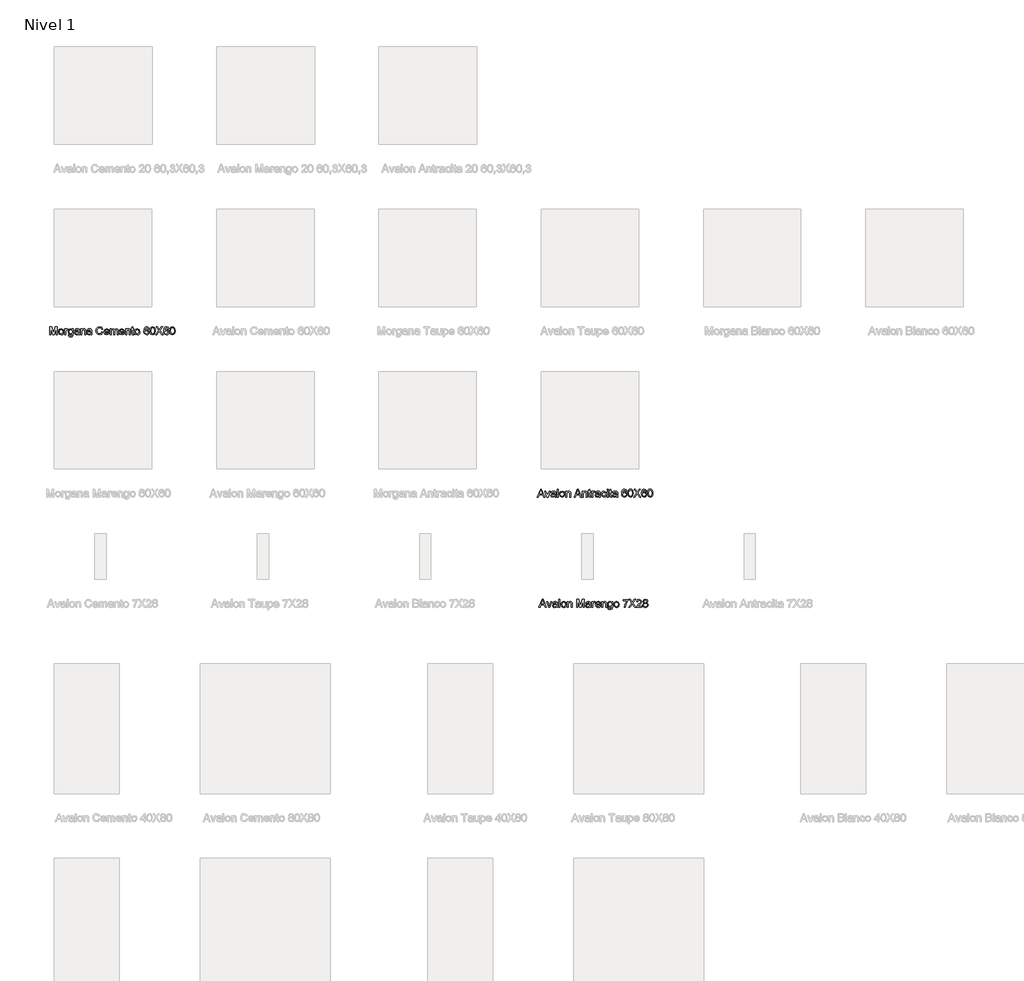
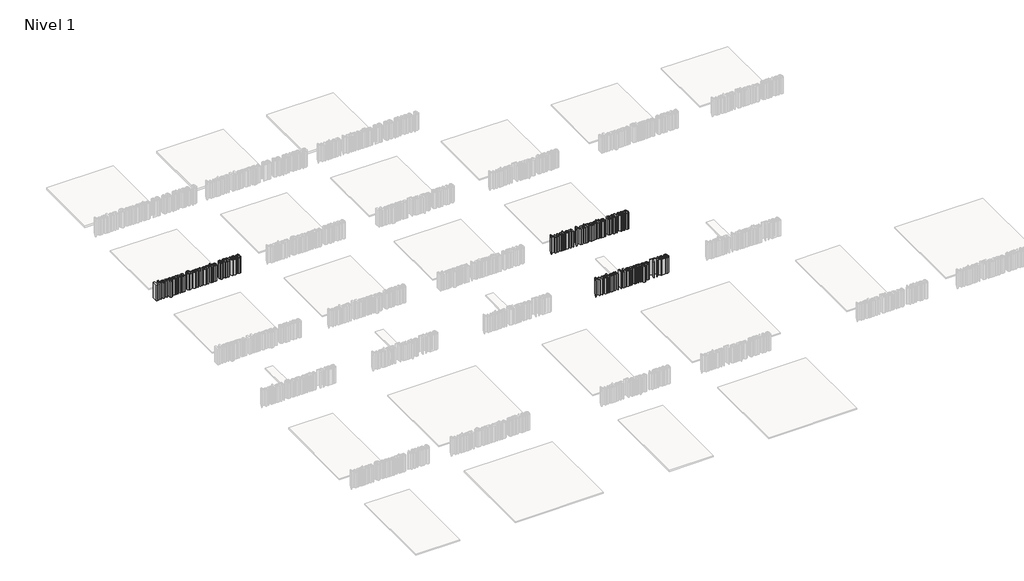
# One storey, part 7 of 11: 3 proxies.
"""IFC4 building model written with IfcOpenShell, lengths in millimetres."""

from ifc_helpers import new_model, si_unit, origin, origin_with_axes, place, context, project, spatial, polyline, outline, extrude, element, save

model = new_model("IFC4")

# Units and contexts
model_context = context("Model", 3, world=origin())
ifc_project = project(units=[si_unit("LENGTHUNIT", "METRE", prefix="MILLI")], contexts=[model_context])

# Site, building, storey
site = spatial("IfcSite", under=ifc_project)
building = spatial("IfcBuilding", under=site)
storey = spatial("IfcBuildingStorey", under=building, Name="Nivel 1", Elevation=0.0)

# Proxies
placement = place(None, origin())
element("IfcBuildingElementProxy", 1, Name="Texto de modelo 1", ObjectType="Texto de modelo 1", at=placement, inside=storey, context=model_context, shape_type="SweptSolid", body=[
    extrude(outline(polyline([(-28.4326504, -1172.9229512), (-28.4326504, -1123.692182), (-17.843708, -1123.692182), (-7.7715927, -1158.3917012), (-5.7403427, -1165.6392974), (-3.5408234, -1157.7907397), (6.3630227, -1123.692182), (16.951965, -1123.692182), (16.951965, -1172.9229512), (10.7981189, -1172.9229512), (10.7981189, -1129.8460282), (-1.5696696, -1172.9229512), (-9.9110157, -1172.9229512), (-22.2788042, -1129.8460282), (-22.2788042, -1172.9229512), (-28.4326504, -1172.9229512)])), origin_with_axes(), (0.0, 0.0, 1.0), 150.0),
    extrude(outline(polyline([(25.4135035, -1154.8460282), (26.7446333, -1146.1290811), (30.7380227, -1140.0022782), (41.5793689, -1135.9998743), (53.2079746, -1140.8736724), (57.7211958, -1154.3412205), (55.7260035, -1165.2907397), (49.9147054, -1171.4866532), (41.5793689, -1173.692182), (29.8786477, -1168.8364128), (25.4135035, -1154.8460282)]), holes=[polyline([(31.5673496, -1154.8340089), (34.4159073, -1164.3712686), (41.5793689, -1167.5383359), (48.718792, -1164.3532397), (51.5673496, -1154.6417012), (48.7007631, -1145.3207878), (41.5793689, -1142.1537205), (34.4159073, -1145.3087686), (31.5673496, -1154.8340089)])]), origin_with_axes(), (0.0, 0.0, 1.0), 150.0),
    extrude(outline(polyline([(64.6442727, -1172.9229512), (64.6442727, -1136.7691051), (70.0288881, -1136.7691051), (70.0288881, -1142.1176628), (73.8510035, -1137.1897782), (77.6971573, -1135.9998743), (83.875042, -1137.8989128), (81.8197535, -1143.4157397), (77.4928304, -1142.1537205), (74.0132631, -1143.3676628), (71.795715, -1146.7330474), (70.7981189, -1153.9205474), (70.7981189, -1172.9229512), (64.6442727, -1172.9229512)])), origin_with_axes(), (0.0, 0.0, 1.0), 150.0),
    extrude(outline(polyline([(86.1827343, -1175.9998743), (92.3365804, -1176.7691051), (94.3317727, -1180.0142974), (100.3053304, -1181.3844897), (106.6034073, -1179.8340089), (109.608215, -1175.4830474), (110.0288881, -1168.3075666), (100.4135035, -1172.9229512), (89.3377823, -1167.5503551), (85.4135035, -1154.6657397), (87.1743208, -1145.1284801), (92.2704746, -1138.379682), (100.1130227, -1135.9998743), (110.0288881, -1141.3844897), (110.0288881, -1136.7691051), (116.1827343, -1136.7691051), (116.1827343, -1167.9830474), (114.500042, -1179.9361724), (109.1695131, -1185.4950666), (100.1851381, -1187.5383359), (89.9507631, -1184.6597301), (86.1827343, -1175.9998743)]), holes=[polyline([(91.5673496, -1154.2450666), (94.1935516, -1163.770307), (100.7860996, -1166.7691051), (107.3666285, -1163.7883359), (110.0288881, -1154.4253551), (107.2885035, -1145.2486724), (100.6899458, -1142.1537205), (94.2296093, -1145.2005955), (91.5673496, -1154.2450666)])]), origin_with_axes(), (0.0, 0.0, 1.0), 150.0),
    extrude(outline(polyline([(148.4904266, -1168.3075666), (142.5228785, -1172.4782397), (135.9303304, -1173.692182), (126.9940323, -1170.7715089), (123.875042, -1163.3075666), (125.0529266, -1158.4397782), (128.1478785, -1154.9061243), (132.4567727, -1152.8868936), (137.781292, -1151.9614128), (148.4543689, -1149.8460282), (146.795715, -1143.9325666), (139.9928304, -1142.1537205), (133.7668689, -1143.3376147), (130.7981189, -1147.5383359), (124.6442727, -1146.7691051), (127.3065323, -1140.7594897), (132.6671093, -1137.2378551), (140.7860996, -1135.9998743), (148.2440323, -1137.0936243), (152.4567727, -1139.8400186), (154.343792, -1144.0167012), (154.6442727, -1149.4013166), (154.6442727, -1157.0575666), (154.9567727, -1167.7486724), (156.1827343, -1172.9229512), (150.0288881, -1172.9229512), (148.4904266, -1168.3075666)]), holes=[polyline([(148.4904266, -1155.9998743), (138.562542, -1157.8868936), (133.2680708, -1158.8844897), (130.8702343, -1160.5070859), (130.0288881, -1162.8748743), (131.8618208, -1166.2042012), (137.2404266, -1167.5383359), (143.4663881, -1166.0659801), (147.4808112, -1162.5022782), (148.4543689, -1157.7426628), (148.4904266, -1155.9998743)])]), origin_with_axes(), (0.0, 0.0, 1.0), 150.0),
    extrude(outline(polyline([(163.1058112, -1172.9229512), (163.1058112, -1136.7691051), (169.2596573, -1136.7691051), (169.2596573, -1141.817182), (173.9651862, -1137.4542012), (180.389465, -1135.9998743), (186.2007631, -1137.1717493), (190.1671093, -1140.2486724), (192.0120612, -1144.7739128), (192.3365804, -1150.723432), (192.3365804, -1172.9229512), (186.1827343, -1172.9229512), (186.1827343, -1151.5527589), (185.4735996, -1146.1080474), (182.96759, -1143.2294416), (178.7428304, -1142.1537205), (172.0661477, -1144.5695859), (169.2596573, -1153.7402589), (169.2596573, -1172.9229512), (163.1058112, -1172.9229512)])), origin_with_axes(), (0.0, 0.0, 1.0), 150.0),
    extrude(outline(polyline([(223.875042, -1168.3075666), (217.9074939, -1172.4782397), (211.3149458, -1173.692182), (202.3786477, -1170.7715089), (199.2596573, -1163.3075666), (200.437542, -1158.4397782), (203.5324939, -1154.9061243), (207.8413881, -1152.8868936), (213.1659073, -1151.9614128), (223.8389843, -1149.8460282), (222.1803304, -1143.9325666), (215.3774458, -1142.1537205), (209.1514843, -1143.3376147), (206.1827343, -1147.5383359), (200.0288881, -1146.7691051), (202.6911477, -1140.7594897), (208.0517246, -1137.2378551), (216.170715, -1135.9998743), (223.6286477, -1137.0936243), (227.8413881, -1139.8400186), (229.7284073, -1144.0167012), (230.0288881, -1149.4013166), (230.0288881, -1157.0575666), (230.3413881, -1167.7486724), (231.5673496, -1172.9229512), (225.4135035, -1172.9229512), (223.875042, -1168.3075666)]), holes=[polyline([(223.875042, -1155.9998743), (213.9471573, -1157.8868936), (208.6526862, -1158.8844897), (206.2548496, -1160.5070859), (205.4135035, -1162.8748743), (207.2464362, -1166.2042012), (212.625042, -1167.5383359), (218.8510035, -1166.0659801), (222.8654266, -1162.5022782), (223.8389843, -1157.7426628), (223.875042, -1155.9998743)])]), origin_with_axes(), (0.0, 0.0, 1.0), 150.0),
    extrude(outline(polyline([(293.1058112, -1155.4229512), (299.2596573, -1157.0094897), (291.9639843, -1169.4193455), (279.0793689, -1173.692182), (266.2728785, -1170.4590089), (258.7608593, -1161.0960282), (256.1827343, -1147.9349705), (259.0973977, -1134.5575666), (267.3846573, -1125.8856916), (279.2115804, -1122.9229512), (291.5373016, -1126.7570859), (298.4904266, -1137.5503551), (292.3365804, -1139.0167012), (287.2885035, -1131.4505955), (278.9711958, -1129.0767974), (269.343792, -1131.7090089), (263.90509, -1138.7763166), (262.3365804, -1147.9229512), (264.1935516, -1158.5239128), (269.9748016, -1165.2967493), (278.4663881, -1167.5383359), (287.8834554, -1164.4854512), (293.1058112, -1155.4229512)])), origin_with_axes(), (0.0, 0.0, 1.0), 150.0),
    extrude(outline(polyline([(332.264465, -1162.1537205), (338.2981189, -1162.9229512), (332.65509, -1170.8676628), (322.1442727, -1173.692182), (309.3678304, -1168.8183839), (304.6442727, -1155.1465089), (309.4159073, -1141.0239128), (321.795715, -1135.9998743), (333.8209554, -1141.0118936), (338.4904266, -1155.1104512), (338.4543689, -1156.7691051), (310.7981189, -1156.7691051), (314.3377823, -1164.7618936), (322.264465, -1167.5383359), (328.2981189, -1166.2522782), (332.264465, -1162.1537205)]), holes=[polyline([(310.7981189, -1150.6152589), (332.3365804, -1150.6152589), (329.8726381, -1145.0383359), (321.7716766, -1142.1537205), (314.1935516, -1144.4554032), (310.7981189, -1150.6152589)])]), origin_with_axes(), (0.0, 0.0, 1.0), 150.0),
    extrude(outline(polyline([(344.6442727, -1172.9229512), (344.6442727, -1136.7691051), (350.7981189, -1136.7691051), (350.7981189, -1142.7186243), (355.0288881, -1137.8448262), (361.0505227, -1135.9998743), (367.2163881, -1137.8808839), (370.6058112, -1143.1513166), (375.4074939, -1137.7877349), (381.4711958, -1135.9998743), (389.5180708, -1138.9746339), (392.3365804, -1148.1392974), (392.3365804, -1172.9229512), (386.1827343, -1172.9229512), (386.1827343, -1150.7835282), (385.6118208, -1145.645307), (383.5445131, -1143.1152589), (380.0288881, -1142.1537205), (373.9772054, -1144.6176628), (371.5673496, -1152.5142974), (371.5673496, -1172.9229512), (365.4135035, -1172.9229512), (365.4135035, -1150.098432), (363.9892246, -1144.1368936), (359.3197535, -1142.1537205), (354.764465, -1143.4758359), (351.7356189, -1147.3460282), (350.7981189, -1154.6897782), (350.7981189, -1172.9229512), (344.6442727, -1172.9229512)])), origin_with_axes(), (0.0, 0.0, 1.0), 150.0),
    extrude(outline(polyline([(426.8798496, -1162.1537205), (432.9135035, -1162.9229512), (427.2704746, -1170.8676628), (416.7596573, -1173.692182), (403.983215, -1168.8183839), (399.2596573, -1155.1465089), (404.031292, -1141.0239128), (416.4110996, -1135.9998743), (428.43634, -1141.0118936), (433.1058112, -1155.1104512), (433.0697535, -1156.7691051), (405.4135035, -1156.7691051), (408.953167, -1164.7618936), (416.8798496, -1167.5383359), (422.9135035, -1166.2522782), (426.8798496, -1162.1537205)]), holes=[polyline([(405.4135035, -1150.6152589), (426.951965, -1150.6152589), (424.4880227, -1145.0383359), (416.3870612, -1142.1537205), (408.8089362, -1144.4554032), (405.4135035, -1150.6152589)])]), origin_with_axes(), (0.0, 0.0, 1.0), 150.0),
    extrude(outline(polyline([(439.2596573, -1172.9229512), (439.2596573, -1136.7691051), (445.4135035, -1136.7691051), (445.4135035, -1141.817182), (450.1190323, -1137.4542012), (456.5433112, -1135.9998743), (462.3546093, -1137.1717493), (466.3209554, -1140.2486724), (468.1659073, -1144.7739128), (468.4904266, -1150.723432), (468.4904266, -1172.9229512), (462.3365804, -1172.9229512), (462.3365804, -1151.5527589), (461.6274458, -1146.1080474), (459.1214362, -1143.2294416), (454.8966766, -1142.1537205), (448.2199939, -1144.5695859), (445.4135035, -1153.7402589), (445.4135035, -1172.9229512), (439.2596573, -1172.9229512)])), origin_with_axes(), (0.0, 0.0, 1.0), 150.0),
    extrude(outline(polyline([(490.0288881, -1167.7907397), (490.7981189, -1173.1032397), (486.1947535, -1173.692182), (481.0385035, -1172.6705474), (478.4663881, -1169.9902589), (477.7211958, -1163.0070859), (477.7211958, -1142.9229512), (473.1058112, -1142.9229512), (473.1058112, -1136.7691051), (477.7211958, -1136.7691051), (477.7211958, -1127.9830474), (483.875042, -1124.3652589), (483.875042, -1136.7691051), (490.0288881, -1136.7691051), (490.0288881, -1142.9229512), (483.875042, -1142.9229512), (483.875042, -1162.8267974), (484.1995612, -1165.9998743), (487.3485996, -1167.5383359), (490.0288881, -1167.7907397)])), origin_with_axes(), (0.0, 0.0, 1.0), 150.0),
    extrude(outline(polyline([(494.6442727, -1154.8460282), (495.9754025, -1146.1290811), (499.968792, -1140.0022782), (510.8101381, -1135.9998743), (522.4387439, -1140.8736724), (526.951965, -1154.3412205), (524.9567727, -1165.2907397), (519.1454746, -1171.4866532), (510.8101381, -1173.692182), (499.109417, -1168.8364128), (494.6442727, -1154.8460282)]), holes=[polyline([(500.7981189, -1154.8340089), (503.6466766, -1164.3712686), (510.8101381, -1167.5383359), (517.9495612, -1164.3532397), (520.7981189, -1154.6417012), (517.9315323, -1145.3207878), (510.8101381, -1142.1537205), (503.6466766, -1145.3087686), (500.7981189, -1154.8340089)])]), origin_with_axes(), (0.0, 0.0, 1.0), 150.0),
    extrude(outline(polyline([(583.1058112, -1136.7691051), (576.951965, -1137.5383359), (574.6202343, -1132.4061243), (568.4543689, -1129.8460282), (562.9014843, -1131.3364128), (558.7007631, -1136.9313647), (556.951965, -1147.8989128), (562.3786477, -1142.989057), (569.1034073, -1141.3844897), (579.5601381, -1145.7715089), (583.875042, -1157.1056436), (581.843792, -1165.5972301), (576.2548496, -1171.6068455), (568.1899458, -1173.692182), (555.6478785, -1168.1633359), (552.0105588, -1160.8436243), (550.7981189, -1149.942182), (552.1442727, -1137.6855714), (556.1827343, -1129.3051628), (561.6965564, -1125.0954272), (568.8389843, -1123.692182), (578.562542, -1127.1657397), (583.1058112, -1136.7691051)]), holes=[polyline([(556.951965, -1157.0094897), (558.3762439, -1162.3400186), (562.1623016, -1166.2102109), (567.7091766, -1167.5383359), (574.9627823, -1164.785932), (577.7211958, -1157.3099705), (574.99884, -1150.1525186), (567.4567727, -1147.5383359), (560.0108593, -1150.1525186), (556.951965, -1157.0094897)])]), origin_with_axes(), (0.0, 0.0, 1.0), 150.0),
    extrude(outline(polyline([(589.2596573, -1148.7042012), (591.0685516, -1134.5395378), (596.4411477, -1126.3724705), (605.4135035, -1123.692182), (612.6010035, -1125.2787205), (617.5649458, -1129.8520378), (620.4495612, -1137.1356916), (621.5673496, -1148.7042012), (619.7764843, -1162.8087686), (614.421917, -1170.9938647), (605.4135035, -1173.692182), (594.1635035, -1169.004682), (590.4856189, -1160.6783599), (589.2596573, -1148.7042012)]), holes=[polyline([(595.4135035, -1148.692182), (598.2981189, -1163.9746339), (605.4135035, -1167.5383359), (612.5288881, -1163.9626147), (615.4135035, -1148.692182), (612.625042, -1133.5840089), (605.3413881, -1129.8460282), (598.3942727, -1133.1392974), (595.4135035, -1148.692182)])]), origin_with_axes(), (0.0, 0.0, 1.0), 150.0),
    extrude(outline(polyline([(623.875042, -1172.9229512), (642.8534073, -1146.0960282), (626.951965, -1123.692182), (634.3317727, -1123.692182), (643.2860996, -1136.3003551), (646.3029266, -1141.2162205), (649.8365804, -1136.2162205), (658.6947535, -1123.692182), (666.1827343, -1123.692182), (650.281292, -1146.1681436), (669.2596573, -1172.9229512), (661.8798496, -1172.9229512), (649.2356189, -1155.0864128), (646.6034073, -1151.3844897), (643.7067727, -1155.4469897), (631.3630227, -1172.9229512), (623.875042, -1172.9229512)])), origin_with_axes(), (0.0, 0.0, 1.0), 150.0),
    extrude(outline(polyline([(704.6442727, -1136.7691051), (698.4904266, -1137.5383359), (696.1586958, -1132.4061243), (689.9928304, -1129.8460282), (684.4399458, -1131.3364128), (680.2392246, -1136.9313647), (678.4904266, -1147.8989128), (683.9171093, -1142.989057), (690.6418689, -1141.3844897), (701.0985996, -1145.7715089), (705.4135035, -1157.1056436), (703.3822535, -1165.5972301), (697.7933112, -1171.6068455), (689.7284073, -1173.692182), (677.18634, -1168.1633359), (673.5490203, -1160.8436243), (672.3365804, -1149.942182), (673.6827343, -1137.6855714), (677.7211958, -1129.3051628), (683.2350179, -1125.0954272), (690.3774458, -1123.692182), (700.1010035, -1127.1657397), (704.6442727, -1136.7691051)]), holes=[polyline([(678.4904266, -1157.0094897), (679.9147054, -1162.3400186), (683.7007631, -1166.2102109), (689.2476381, -1167.5383359), (696.5012439, -1164.785932), (699.2596573, -1157.3099705), (696.5373016, -1150.1525186), (688.9952343, -1147.5383359), (681.5493208, -1150.1525186), (678.4904266, -1157.0094897)])]), origin_with_axes(), (0.0, 0.0, 1.0), 150.0),
    extrude(outline(polyline([(710.7981189, -1148.7042012), (712.6070131, -1134.5395378), (717.9796093, -1126.3724705), (726.951965, -1123.692182), (734.139465, -1125.2787205), (739.1034073, -1129.8520378), (741.9880227, -1137.1356916), (743.1058112, -1148.7042012), (741.3149458, -1162.8087686), (735.9603785, -1170.9938647), (726.951965, -1173.692182), (715.701965, -1169.004682), (712.0240804, -1160.6783599), (710.7981189, -1148.7042012)]), holes=[polyline([(716.951965, -1148.692182), (719.8365804, -1163.9746339), (726.951965, -1167.5383359), (734.0673496, -1163.9626147), (736.951965, -1148.692182), (734.1635035, -1133.5840089), (726.8798496, -1129.8460282), (719.9327343, -1133.1392974), (716.951965, -1148.692182)])]), origin_with_axes(), (0.0, 0.0, 1.0), 150.0),
])
element("IfcBuildingElementProxy", 2, Name="Texto de modelo 1", ObjectType="Texto de modelo 1", at=placement, inside=storey, context=model_context, shape_type="SweptSolid", body=[
    extrude(outline(polyline([(2975.8341766, -2172.9229512), (2995.4856189, -2123.692182), (3000.7260035, -2123.692182), (3020.3774458, -2172.9229512), (3013.875042, -2172.9229512), (3008.2380227, -2157.5383359), (2987.9615804, -2157.5383359), (2982.3365804, -2172.9229512), (2975.8341766, -2172.9229512)]), holes=[polyline([(2990.2211958, -2151.3844897), (3005.9904266, -2151.3844897), (3001.5553304, -2139.2811243), (2998.1058112, -2129.8460282), (2995.0409073, -2138.223432), (2990.2211958, -2151.3844897)])]), origin_with_axes(), (0.0, 0.0, 1.0), 150.0),
    extrude(outline(polyline([(3035.0529266, -2172.9229512), (3022.3365804, -2136.7691051), (3028.8510035, -2136.7691051), (3036.5553304, -2158.4277589), (3038.875042, -2165.7114128), (3041.1466766, -2158.8364128), (3048.8990804, -2136.7691051), (3055.4135035, -2136.7691051), (3042.8534073, -2172.9229512), (3035.0529266, -2172.9229512)])), origin_with_axes(), (0.0, 0.0, 1.0), 150.0),
    extrude(outline(polyline([(3083.875042, -2168.3075666), (3077.9074939, -2172.4782397), (3071.3149458, -2173.692182), (3062.3786477, -2170.7715089), (3059.2596573, -2163.3075666), (3060.437542, -2158.4397782), (3063.5324939, -2154.9061243), (3067.8413881, -2152.8868936), (3073.1659073, -2151.9614128), (3083.8389843, -2149.8460282), (3082.1803304, -2143.9325666), (3075.3774458, -2142.1537205), (3069.1514843, -2143.3376147), (3066.1827343, -2147.5383359), (3060.0288881, -2146.7691051), (3062.6911477, -2140.7594897), (3068.0517246, -2137.2378551), (3076.170715, -2135.9998743), (3083.6286477, -2137.0936243), (3087.8413881, -2139.8400186), (3089.7284073, -2144.0167012), (3090.0288881, -2149.4013166), (3090.0288881, -2157.0575666), (3090.3413881, -2167.7486724), (3091.5673496, -2172.9229512), (3085.4135035, -2172.9229512), (3083.875042, -2168.3075666)]), holes=[polyline([(3083.875042, -2155.9998743), (3073.9471573, -2157.8868936), (3068.6526862, -2158.8844897), (3066.2548496, -2160.5070859), (3065.4135035, -2162.8748743), (3067.2464362, -2166.2042012), (3072.625042, -2167.5383359), (3078.8510035, -2166.0659801), (3082.8654266, -2162.5022782), (3083.8389843, -2157.7426628), (3083.875042, -2155.9998743)])]), origin_with_axes(), (0.0, 0.0, 1.0), 150.0),
    extrude(outline(polyline([(3098.4904266, -2172.9229512), (3098.4904266, -2123.692182), (3104.6442727, -2123.692182), (3104.6442727, -2172.9229512), (3098.4904266, -2172.9229512)])), origin_with_axes(), (0.0, 0.0, 1.0), 150.0),
    extrude(outline(polyline([(3112.3365804, -2154.8460282), (3113.6677102, -2146.1290811), (3117.6610996, -2140.0022782), (3128.5024458, -2135.9998743), (3140.1310516, -2140.8736724), (3144.6442727, -2154.3412205), (3142.6490804, -2165.2907397), (3136.8377823, -2171.4866532), (3128.5024458, -2173.692182), (3116.8017246, -2168.8364128), (3112.3365804, -2154.8460282)]), holes=[polyline([(3118.4904266, -2154.8340089), (3121.3389843, -2164.3712686), (3128.5024458, -2167.5383359), (3135.6418689, -2164.3532397), (3138.4904266, -2154.6417012), (3135.62384, -2145.3207878), (3128.5024458, -2142.1537205), (3121.3389843, -2145.3087686), (3118.4904266, -2154.8340089)])]), origin_with_axes(), (0.0, 0.0, 1.0), 150.0),
    extrude(outline(polyline([(3151.5673496, -2172.9229512), (3151.5673496, -2136.7691051), (3157.7211958, -2136.7691051), (3157.7211958, -2141.817182), (3162.4267246, -2137.4542012), (3168.8510035, -2135.9998743), (3174.6623016, -2137.1717493), (3178.6286477, -2140.2486724), (3180.4735996, -2144.7739128), (3180.7981189, -2150.723432), (3180.7981189, -2172.9229512), (3174.6442727, -2172.9229512), (3174.6442727, -2151.5527589), (3173.9351381, -2146.1080474), (3171.4291285, -2143.2294416), (3167.2043689, -2142.1537205), (3160.5276862, -2144.5695859), (3157.7211958, -2153.7402589), (3157.7211958, -2172.9229512), (3151.5673496, -2172.9229512)])), origin_with_axes(), (0.0, 0.0, 1.0), 150.0),
    extrude(outline(polyline([(3203.5264843, -2172.9229512), (3223.1779266, -2123.692182), (3228.4183112, -2123.692182), (3248.0697535, -2172.9229512), (3241.5673496, -2172.9229512), (3235.9303304, -2157.5383359), (3215.6538881, -2157.5383359), (3210.0288881, -2172.9229512), (3203.5264843, -2172.9229512)]), holes=[polyline([(3217.9135035, -2151.3844897), (3233.6827343, -2151.3844897), (3229.2476381, -2139.2811243), (3225.7981189, -2129.8460282), (3222.733215, -2138.223432), (3217.9135035, -2151.3844897)])]), origin_with_axes(), (0.0, 0.0, 1.0), 150.0),
    extrude(outline(polyline([(3253.875042, -2172.9229512), (3253.875042, -2136.7691051), (3260.0288881, -2136.7691051), (3260.0288881, -2141.817182), (3264.734417, -2137.4542012), (3271.1586958, -2135.9998743), (3276.9699939, -2137.1717493), (3280.93634, -2140.2486724), (3282.781292, -2144.7739128), (3283.1058112, -2150.723432), (3283.1058112, -2172.9229512), (3276.951965, -2172.9229512), (3276.951965, -2151.5527589), (3276.2428304, -2146.1080474), (3273.7368208, -2143.2294416), (3269.5120612, -2142.1537205), (3262.8353785, -2144.5695859), (3260.0288881, -2153.7402589), (3260.0288881, -2172.9229512), (3253.875042, -2172.9229512)])), origin_with_axes(), (0.0, 0.0, 1.0), 150.0),
    extrude(outline(polyline([(3304.6442727, -2167.7907397), (3305.4135035, -2173.1032397), (3300.8101381, -2173.692182), (3295.6538881, -2172.6705474), (3293.0817727, -2169.9902589), (3292.3365804, -2163.0070859), (3292.3365804, -2142.9229512), (3287.7211958, -2142.9229512), (3287.7211958, -2136.7691051), (3292.3365804, -2136.7691051), (3292.3365804, -2127.9830474), (3298.4904266, -2124.3652589), (3298.4904266, -2136.7691051), (3304.6442727, -2136.7691051), (3304.6442727, -2142.9229512), (3298.4904266, -2142.9229512), (3298.4904266, -2162.8267974), (3298.8149458, -2165.9998743), (3301.9639843, -2167.5383359), (3304.6442727, -2167.7907397)])), origin_with_axes(), (0.0, 0.0, 1.0), 150.0),
    extrude(outline(polyline([(3310.7981189, -2172.9229512), (3310.7981189, -2136.7691051), (3316.1827343, -2136.7691051), (3316.1827343, -2142.1176628), (3320.0048496, -2137.1897782), (3323.8510035, -2135.9998743), (3330.0288881, -2137.8989128), (3327.9735996, -2143.4157397), (3323.6466766, -2142.1537205), (3320.1671093, -2143.3676628), (3317.9495612, -2146.7330474), (3316.951965, -2153.9205474), (3316.951965, -2172.9229512), (3310.7981189, -2172.9229512)])), origin_with_axes(), (0.0, 0.0, 1.0), 150.0),
    extrude(outline(polyline([(3356.951965, -2168.3075666), (3350.984417, -2172.4782397), (3344.3918689, -2173.692182), (3335.4555708, -2170.7715089), (3332.3365804, -2163.3075666), (3333.514465, -2158.4397782), (3336.609417, -2154.9061243), (3340.9183112, -2152.8868936), (3346.2428304, -2151.9614128), (3356.9159073, -2149.8460282), (3355.2572535, -2143.9325666), (3348.4543689, -2142.1537205), (3342.2284073, -2143.3376147), (3339.2596573, -2147.5383359), (3333.1058112, -2146.7691051), (3335.7680708, -2140.7594897), (3341.1286477, -2137.2378551), (3349.2476381, -2135.9998743), (3356.7055708, -2137.0936243), (3360.9183112, -2139.8400186), (3362.8053304, -2144.0167012), (3363.1058112, -2149.4013166), (3363.1058112, -2157.0575666), (3363.4183112, -2167.7486724), (3364.6442727, -2172.9229512), (3358.4904266, -2172.9229512), (3356.951965, -2168.3075666)]), holes=[polyline([(3356.951965, -2155.9998743), (3347.0240804, -2157.8868936), (3341.7296093, -2158.8844897), (3339.3317727, -2160.5070859), (3338.4904266, -2162.8748743), (3340.3233593, -2166.2042012), (3345.701965, -2167.5383359), (3351.9279266, -2166.0659801), (3355.9423496, -2162.5022782), (3356.9159073, -2157.7426628), (3356.951965, -2155.9998743)])]), origin_with_axes(), (0.0, 0.0, 1.0), 150.0),
    extrude(outline(polyline([(3394.6442727, -2159.8460282), (3400.7981189, -2160.6152589), (3395.858215, -2170.2246339), (3386.0985996, -2173.692182), (3374.4339362, -2168.8544416), (3370.0288881, -2154.9782397), (3371.9098977, -2144.7558839), (3377.6430708, -2138.1873743), (3386.014465, -2135.9998743), (3395.3714362, -2139.004682), (3400.0288881, -2147.5383359), (3393.875042, -2148.3075666), (3391.0204746, -2143.6981916), (3386.062542, -2142.1537205), (3378.9291285, -2145.1945859), (3376.1827343, -2154.8099705), (3378.8690323, -2164.5154993), (3385.8942727, -2167.5383359), (3391.6935516, -2165.6513166), (3394.6442727, -2159.8460282)])), origin_with_axes(), (0.0, 0.0, 1.0), 150.0),
    extrude(outline(polyline([(3406.1827343, -2172.9229512), (3406.1827343, -2136.7691051), (3412.3365804, -2136.7691051), (3412.3365804, -2172.9229512), (3406.1827343, -2172.9229512)])), origin_with_axes(), (0.0, 0.0, 1.0), 150.0),
    extrude(outline(polyline([(3406.1827343, -2129.8460282), (3406.1827343, -2123.692182), (3412.3365804, -2123.692182), (3412.3365804, -2129.8460282), (3406.1827343, -2129.8460282)])), origin_with_axes(), (0.0, 0.0, 1.0), 150.0),
    extrude(outline(polyline([(3434.6442727, -2167.7907397), (3435.4135035, -2173.1032397), (3430.8101381, -2173.692182), (3425.6538881, -2172.6705474), (3423.0817727, -2169.9902589), (3422.3365804, -2163.0070859), (3422.3365804, -2142.9229512), (3417.7211958, -2142.9229512), (3417.7211958, -2136.7691051), (3422.3365804, -2136.7691051), (3422.3365804, -2127.9830474), (3428.4904266, -2124.3652589), (3428.4904266, -2136.7691051), (3434.6442727, -2136.7691051), (3434.6442727, -2142.9229512), (3428.4904266, -2142.9229512), (3428.4904266, -2162.8267974), (3428.8149458, -2165.9998743), (3431.9639843, -2167.5383359), (3434.6442727, -2167.7907397)])), origin_with_axes(), (0.0, 0.0, 1.0), 150.0),
    extrude(outline(polyline([(3463.875042, -2168.3075666), (3457.9074939, -2172.4782397), (3451.3149458, -2173.692182), (3442.3786477, -2170.7715089), (3439.2596573, -2163.3075666), (3440.437542, -2158.4397782), (3443.5324939, -2154.9061243), (3447.8413881, -2152.8868936), (3453.1659073, -2151.9614128), (3463.8389843, -2149.8460282), (3462.1803304, -2143.9325666), (3455.3774458, -2142.1537205), (3449.1514843, -2143.3376147), (3446.1827343, -2147.5383359), (3440.0288881, -2146.7691051), (3442.6911477, -2140.7594897), (3448.0517246, -2137.2378551), (3456.170715, -2135.9998743), (3463.6286477, -2137.0936243), (3467.8413881, -2139.8400186), (3469.7284073, -2144.0167012), (3470.0288881, -2149.4013166), (3470.0288881, -2157.0575666), (3470.3413881, -2167.7486724), (3471.5673496, -2172.9229512), (3465.4135035, -2172.9229512), (3463.875042, -2168.3075666)]), holes=[polyline([(3463.875042, -2155.9998743), (3453.9471573, -2157.8868936), (3448.6526862, -2158.8844897), (3446.2548496, -2160.5070859), (3445.4135035, -2162.8748743), (3447.2464362, -2166.2042012), (3452.625042, -2167.5383359), (3458.8510035, -2166.0659801), (3462.8654266, -2162.5022782), (3463.8389843, -2157.7426628), (3463.875042, -2155.9998743)])]), origin_with_axes(), (0.0, 0.0, 1.0), 150.0),
    extrude(outline(polyline([(3527.7211958, -2136.7691051), (3521.5673496, -2137.5383359), (3519.2356189, -2132.4061243), (3513.0697535, -2129.8460282), (3507.5168689, -2131.3364128), (3503.3161477, -2136.9313647), (3501.5673496, -2147.8989128), (3506.9940323, -2142.989057), (3513.718792, -2141.3844897), (3524.1755227, -2145.7715089), (3528.4904266, -2157.1056436), (3526.4591766, -2165.5972301), (3520.8702343, -2171.6068455), (3512.8053304, -2173.692182), (3500.2632631, -2168.1633359), (3496.6259434, -2160.8436243), (3495.4135035, -2149.942182), (3496.7596573, -2137.6855714), (3500.7981189, -2129.3051628), (3506.311941, -2125.0954272), (3513.4543689, -2123.692182), (3523.1779266, -2127.1657397), (3527.7211958, -2136.7691051)]), holes=[polyline([(3501.5673496, -2157.0094897), (3502.9916285, -2162.3400186), (3506.7776862, -2166.2102109), (3512.3245612, -2167.5383359), (3519.578167, -2164.785932), (3522.3365804, -2157.3099705), (3519.6142246, -2150.1525186), (3512.0721573, -2147.5383359), (3504.6262439, -2150.1525186), (3501.5673496, -2157.0094897)])]), origin_with_axes(), (0.0, 0.0, 1.0), 150.0),
    extrude(outline(polyline([(3533.875042, -2148.7042012), (3535.6839362, -2134.5395378), (3541.0565323, -2126.3724705), (3550.0288881, -2123.692182), (3557.2163881, -2125.2787205), (3562.1803304, -2129.8520378), (3565.0649458, -2137.1356916), (3566.1827343, -2148.7042012), (3564.3918689, -2162.8087686), (3559.0373016, -2170.9938647), (3550.0288881, -2173.692182), (3538.7788881, -2169.004682), (3535.1010035, -2160.6783599), (3533.875042, -2148.7042012)]), holes=[polyline([(3540.0288881, -2148.692182), (3542.9135035, -2163.9746339), (3550.0288881, -2167.5383359), (3557.1442727, -2163.9626147), (3560.0288881, -2148.692182), (3557.2404266, -2133.5840089), (3549.9567727, -2129.8460282), (3543.0096573, -2133.1392974), (3540.0288881, -2148.692182)])]), origin_with_axes(), (0.0, 0.0, 1.0), 150.0),
    extrude(outline(polyline([(3568.4904266, -2172.9229512), (3587.468792, -2146.0960282), (3571.5673496, -2123.692182), (3578.9471573, -2123.692182), (3587.9014843, -2136.3003551), (3590.9183112, -2141.2162205), (3594.451965, -2136.2162205), (3603.3101381, -2123.692182), (3610.7981189, -2123.692182), (3594.8966766, -2146.1681436), (3613.875042, -2172.9229512), (3606.4952343, -2172.9229512), (3593.8510035, -2155.0864128), (3591.218792, -2151.3844897), (3588.3221573, -2155.4469897), (3575.9784073, -2172.9229512), (3568.4904266, -2172.9229512)])), origin_with_axes(), (0.0, 0.0, 1.0), 150.0),
    extrude(outline(polyline([(3649.2596573, -2136.7691051), (3643.1058112, -2137.5383359), (3640.7740804, -2132.4061243), (3634.608215, -2129.8460282), (3629.0553304, -2131.3364128), (3624.8546093, -2136.9313647), (3623.1058112, -2147.8989128), (3628.5324939, -2142.989057), (3635.2572535, -2141.3844897), (3645.7139843, -2145.7715089), (3650.0288881, -2157.1056436), (3647.9976381, -2165.5972301), (3642.4086958, -2171.6068455), (3634.343792, -2173.692182), (3621.8017246, -2168.1633359), (3618.1644049, -2160.8436243), (3616.951965, -2149.942182), (3618.2981189, -2137.6855714), (3622.3365804, -2129.3051628), (3627.8504025, -2125.0954272), (3634.9928304, -2123.692182), (3644.7163881, -2127.1657397), (3649.2596573, -2136.7691051)]), holes=[polyline([(3623.1058112, -2157.0094897), (3624.53009, -2162.3400186), (3628.3161477, -2166.2102109), (3633.8630227, -2167.5383359), (3641.1166285, -2164.785932), (3643.875042, -2157.3099705), (3641.1526862, -2150.1525186), (3633.6106189, -2147.5383359), (3626.1647054, -2150.1525186), (3623.1058112, -2157.0094897)])]), origin_with_axes(), (0.0, 0.0, 1.0), 150.0),
    extrude(outline(polyline([(3655.4135035, -2148.7042012), (3657.2223977, -2134.5395378), (3662.5949939, -2126.3724705), (3671.5673496, -2123.692182), (3678.7548496, -2125.2787205), (3683.718792, -2129.8520378), (3686.6034073, -2137.1356916), (3687.7211958, -2148.7042012), (3685.9303304, -2162.8087686), (3680.5757631, -2170.9938647), (3671.5673496, -2173.692182), (3660.3173496, -2169.004682), (3656.639465, -2160.6783599), (3655.4135035, -2148.7042012)]), holes=[polyline([(3661.5673496, -2148.692182), (3664.451965, -2163.9746339), (3671.5673496, -2167.5383359), (3678.6827343, -2163.9626147), (3681.5673496, -2148.692182), (3678.7788881, -2133.5840089), (3671.4952343, -2129.8460282), (3664.5481189, -2133.1392974), (3661.5673496, -2148.692182)])]), origin_with_axes(), (0.0, 0.0, 1.0), 150.0),
])
element("IfcBuildingElementProxy", 3, Name="Texto de modelo 1", ObjectType="Texto de modelo 1", at=placement, inside=storey, context=model_context, shape_type="SweptSolid", body=[
    extrude(outline(polyline([(2985.8341766, -2852.9229512), (3005.4856189, -2803.692182), (3010.7260035, -2803.692182), (3030.3774458, -2852.9229512), (3023.875042, -2852.9229512), (3018.2380227, -2837.5383359), (2997.9615804, -2837.5383359), (2992.3365804, -2852.9229512), (2985.8341766, -2852.9229512)]), holes=[polyline([(3000.2211958, -2831.3844897), (3015.9904266, -2831.3844897), (3011.5553304, -2819.2811243), (3008.1058112, -2809.8460282), (3005.0409073, -2818.223432), (3000.2211958, -2831.3844897)])]), origin_with_axes(), (0.0, 0.0, 1.0), 150.0),
    extrude(outline(polyline([(3045.0529266, -2852.9229512), (3032.3365804, -2816.7691051), (3038.8510035, -2816.7691051), (3046.5553304, -2838.4277589), (3048.875042, -2845.7114128), (3051.1466766, -2838.8364128), (3058.8990804, -2816.7691051), (3065.4135035, -2816.7691051), (3052.8534073, -2852.9229512), (3045.0529266, -2852.9229512)])), origin_with_axes(), (0.0, 0.0, 1.0), 150.0),
    extrude(outline(polyline([(3093.875042, -2848.3075666), (3087.9074939, -2852.4782397), (3081.3149458, -2853.692182), (3072.3786477, -2850.7715089), (3069.2596573, -2843.3075666), (3070.437542, -2838.4397782), (3073.5324939, -2834.9061243), (3077.8413881, -2832.8868936), (3083.1659073, -2831.9614128), (3093.8389843, -2829.8460282), (3092.1803304, -2823.9325666), (3085.3774458, -2822.1537205), (3079.1514843, -2823.3376147), (3076.1827343, -2827.5383359), (3070.0288881, -2826.7691051), (3072.6911477, -2820.7594897), (3078.0517246, -2817.2378551), (3086.170715, -2815.9998743), (3093.6286477, -2817.0936243), (3097.8413881, -2819.8400186), (3099.7284073, -2824.0167012), (3100.0288881, -2829.4013166), (3100.0288881, -2837.0575666), (3100.3413881, -2847.7486724), (3101.5673496, -2852.9229512), (3095.4135035, -2852.9229512), (3093.875042, -2848.3075666)]), holes=[polyline([(3093.875042, -2835.9998743), (3083.9471573, -2837.8868936), (3078.6526862, -2838.8844897), (3076.2548496, -2840.5070859), (3075.4135035, -2842.8748743), (3077.2464362, -2846.2042012), (3082.625042, -2847.5383359), (3088.8510035, -2846.0659801), (3092.8654266, -2842.5022782), (3093.8389843, -2837.7426628), (3093.875042, -2835.9998743)])]), origin_with_axes(), (0.0, 0.0, 1.0), 150.0),
    extrude(outline(polyline([(3108.4904266, -2852.9229512), (3108.4904266, -2803.692182), (3114.6442727, -2803.692182), (3114.6442727, -2852.9229512), (3108.4904266, -2852.9229512)])), origin_with_axes(), (0.0, 0.0, 1.0), 150.0),
    extrude(outline(polyline([(3122.3365804, -2834.8460282), (3123.6677102, -2826.1290811), (3127.6610996, -2820.0022782), (3138.5024458, -2815.9998743), (3150.1310516, -2820.8736724), (3154.6442727, -2834.3412205), (3152.6490804, -2845.2907397), (3146.8377823, -2851.4866532), (3138.5024458, -2853.692182), (3126.8017246, -2848.8364128), (3122.3365804, -2834.8460282)]), holes=[polyline([(3128.4904266, -2834.8340089), (3131.3389843, -2844.3712686), (3138.5024458, -2847.5383359), (3145.6418689, -2844.3532397), (3148.4904266, -2834.6417012), (3145.62384, -2825.3207878), (3138.5024458, -2822.1537205), (3131.3389843, -2825.3087686), (3128.4904266, -2834.8340089)])]), origin_with_axes(), (0.0, 0.0, 1.0), 150.0),
    extrude(outline(polyline([(3161.5673496, -2852.9229512), (3161.5673496, -2816.7691051), (3167.7211958, -2816.7691051), (3167.7211958, -2821.817182), (3172.4267246, -2817.4542012), (3178.8510035, -2815.9998743), (3184.6623016, -2817.1717493), (3188.6286477, -2820.2486724), (3190.4735996, -2824.7739128), (3190.7981189, -2830.723432), (3190.7981189, -2852.9229512), (3184.6442727, -2852.9229512), (3184.6442727, -2831.5527589), (3183.9351381, -2826.1080474), (3181.4291285, -2823.2294416), (3177.2043689, -2822.1537205), (3170.5276862, -2824.5695859), (3167.7211958, -2833.7402589), (3167.7211958, -2852.9229512), (3161.5673496, -2852.9229512)])), origin_with_axes(), (0.0, 0.0, 1.0), 150.0),
    extrude(outline(polyline([(3219.2596573, -2852.9229512), (3219.2596573, -2803.692182), (3229.8485996, -2803.692182), (3239.920715, -2838.3917012), (3241.951965, -2845.6392974), (3244.1514843, -2837.7907397), (3254.0553304, -2803.692182), (3264.6442727, -2803.692182), (3264.6442727, -2852.9229512), (3258.4904266, -2852.9229512), (3258.4904266, -2809.8460282), (3246.1226381, -2852.9229512), (3237.781292, -2852.9229512), (3225.4135035, -2809.8460282), (3225.4135035, -2852.9229512), (3219.2596573, -2852.9229512)])), origin_with_axes(), (0.0, 0.0, 1.0), 150.0),
    extrude(outline(polyline([(3297.7211958, -2848.3075666), (3291.7536477, -2852.4782397), (3285.1610996, -2853.692182), (3276.2248016, -2850.7715089), (3273.1058112, -2843.3075666), (3274.2836958, -2838.4397782), (3277.3786477, -2834.9061243), (3281.687542, -2832.8868936), (3287.0120612, -2831.9614128), (3297.6851381, -2829.8460282), (3296.0264843, -2823.9325666), (3289.2235996, -2822.1537205), (3282.9976381, -2823.3376147), (3280.0288881, -2827.5383359), (3273.875042, -2826.7691051), (3276.5373016, -2820.7594897), (3281.8978785, -2817.2378551), (3290.0168689, -2815.9998743), (3297.4748016, -2817.0936243), (3301.687542, -2819.8400186), (3303.5745612, -2824.0167012), (3303.875042, -2829.4013166), (3303.875042, -2837.0575666), (3304.187542, -2847.7486724), (3305.4135035, -2852.9229512), (3299.2596573, -2852.9229512), (3297.7211958, -2848.3075666)]), holes=[polyline([(3297.7211958, -2835.9998743), (3287.7933112, -2837.8868936), (3282.49884, -2838.8844897), (3280.1010035, -2840.5070859), (3279.2596573, -2842.8748743), (3281.09259, -2846.2042012), (3286.4711958, -2847.5383359), (3292.6971573, -2846.0659801), (3296.7115804, -2842.5022782), (3297.6851381, -2837.7426628), (3297.7211958, -2835.9998743)])]), origin_with_axes(), (0.0, 0.0, 1.0), 150.0),
    extrude(outline(polyline([(3312.3365804, -2852.9229512), (3312.3365804, -2816.7691051), (3317.7211958, -2816.7691051), (3317.7211958, -2822.1176628), (3321.5433112, -2817.1897782), (3325.389465, -2815.9998743), (3331.5673496, -2817.8989128), (3329.5120612, -2823.4157397), (3325.1851381, -2822.1537205), (3321.7055708, -2823.3676628), (3319.4880227, -2826.7330474), (3318.4904266, -2833.9205474), (3318.4904266, -2852.9229512), (3312.3365804, -2852.9229512)])), origin_with_axes(), (0.0, 0.0, 1.0), 150.0),
    extrude(outline(polyline([(3360.7260035, -2842.1537205), (3366.7596573, -2842.9229512), (3361.1166285, -2850.8676628), (3350.6058112, -2853.692182), (3337.8293689, -2848.8183839), (3333.1058112, -2835.1465089), (3337.8774458, -2821.0239128), (3350.2572535, -2815.9998743), (3362.2824939, -2821.0118936), (3366.951965, -2835.1104512), (3366.9159073, -2836.7691051), (3339.2596573, -2836.7691051), (3342.7993208, -2844.7618936), (3350.7260035, -2847.5383359), (3356.7596573, -2846.2522782), (3360.7260035, -2842.1537205)]), holes=[polyline([(3339.2596573, -2830.6152589), (3360.7981189, -2830.6152589), (3358.3341766, -2825.0383359), (3350.233215, -2822.1537205), (3342.65509, -2824.4554032), (3339.2596573, -2830.6152589)])]), origin_with_axes(), (0.0, 0.0, 1.0), 150.0),
    extrude(outline(polyline([(3373.1058112, -2852.9229512), (3373.1058112, -2816.7691051), (3379.2596573, -2816.7691051), (3379.2596573, -2821.817182), (3383.9651862, -2817.4542012), (3390.389465, -2815.9998743), (3396.2007631, -2817.1717493), (3400.1671093, -2820.2486724), (3402.0120612, -2824.7739128), (3402.3365804, -2830.723432), (3402.3365804, -2852.9229512), (3396.1827343, -2852.9229512), (3396.1827343, -2831.5527589), (3395.4735996, -2826.1080474), (3392.96759, -2823.2294416), (3388.7428304, -2822.1537205), (3382.0661477, -2824.5695859), (3379.2596573, -2833.7402589), (3379.2596573, -2852.9229512), (3373.1058112, -2852.9229512)])), origin_with_axes(), (0.0, 0.0, 1.0), 150.0),
    extrude(outline(polyline([(3409.2596573, -2855.9998743), (3415.4135035, -2856.7691051), (3417.4086958, -2860.0142974), (3423.3822535, -2861.3844897), (3429.6803304, -2859.8340089), (3432.6851381, -2855.4830474), (3433.1058112, -2848.3075666), (3423.4904266, -2852.9229512), (3412.4147054, -2847.5503551), (3408.4904266, -2834.6657397), (3410.2512439, -2825.1284801), (3415.3473977, -2818.379682), (3423.1899458, -2815.9998743), (3433.1058112, -2821.3844897), (3433.1058112, -2816.7691051), (3439.2596573, -2816.7691051), (3439.2596573, -2847.9830474), (3437.576965, -2859.9361724), (3432.2464362, -2865.4950666), (3423.2620612, -2867.5383359), (3413.0276862, -2864.6597301), (3409.2596573, -2855.9998743)]), holes=[polyline([(3414.6442727, -2834.2450666), (3417.2704746, -2843.770307), (3423.8630227, -2846.7691051), (3430.4435516, -2843.7883359), (3433.1058112, -2834.4253551), (3430.3654266, -2825.2486724), (3423.7668689, -2822.1537205), (3417.3065323, -2825.2005955), (3414.6442727, -2834.2450666)])]), origin_with_axes(), (0.0, 0.0, 1.0), 150.0),
    extrude(outline(polyline([(3446.951965, -2834.8460282), (3448.2830948, -2826.1290811), (3452.2764843, -2820.0022782), (3463.1178304, -2815.9998743), (3474.7464362, -2820.8736724), (3479.2596573, -2834.3412205), (3477.264465, -2845.2907397), (3471.453167, -2851.4866532), (3463.1178304, -2853.692182), (3451.4171093, -2848.8364128), (3446.951965, -2834.8460282)]), holes=[polyline([(3453.1058112, -2834.8340089), (3455.9543689, -2844.3712686), (3463.1178304, -2847.5383359), (3470.2572535, -2844.3532397), (3473.1058112, -2834.6417012), (3470.2392246, -2825.3207878), (3463.1178304, -2822.1537205), (3455.9543689, -2825.3087686), (3453.1058112, -2834.8340089)])]), origin_with_axes(), (0.0, 0.0, 1.0), 150.0),
    extrude(outline(polyline([(3503.875042, -2810.6152589), (3503.875042, -2804.4614128), (3536.1827343, -2804.4614128), (3536.1827343, -2809.4373743), (3527.0180708, -2822.676557), (3520.0048496, -2839.5455474), (3517.7211958, -2852.9229512), (3511.5673496, -2852.9229512), (3514.0132631, -2839.0407397), (3520.7260035, -2823.3496339), (3530.0288881, -2810.6152589), (3503.875042, -2810.6152589)])), origin_with_axes(), (0.0, 0.0, 1.0), 150.0),
    extrude(outline(polyline([(3538.4904266, -2852.9229512), (3557.468792, -2826.0960282), (3541.5673496, -2803.692182), (3548.9471573, -2803.692182), (3557.9014843, -2816.3003551), (3560.9183112, -2821.2162205), (3564.451965, -2816.2162205), (3573.3101381, -2803.692182), (3580.7981189, -2803.692182), (3564.8966766, -2826.1681436), (3583.875042, -2852.9229512), (3576.4952343, -2852.9229512), (3563.8510035, -2835.0864128), (3561.218792, -2831.3844897), (3558.3221573, -2835.4469897), (3545.9784073, -2852.9229512), (3538.4904266, -2852.9229512)])), origin_with_axes(), (0.0, 0.0, 1.0), 150.0),
    extrude(outline(polyline([(3619.2596573, -2846.7691051), (3619.2596573, -2852.9229512), (3586.951965, -2852.9229512), (3587.6130227, -2848.6801628), (3591.3510035, -2842.1477109), (3599.0553304, -2835.0142974), (3609.6803304, -2824.7618936), (3612.3365804, -2817.7907397), (3609.8305708, -2812.1477109), (3603.2860996, -2809.8460282), (3596.4651862, -2812.0936243), (3593.875042, -2818.3075666), (3587.7211958, -2817.5383359), (3592.4387439, -2807.2378551), (3603.4183112, -2803.692182), (3614.4339362, -2807.6344897), (3618.4904266, -2817.4181436), (3617.3966766, -2823.2534801), (3613.7608593, -2829.2871339), (3604.9447535, -2837.7186243), (3597.8654266, -2843.6380955), (3595.0889843, -2846.7691051), (3619.2596573, -2846.7691051)])), origin_with_axes(), (0.0, 0.0, 1.0), 150.0),
    extrude(outline(polyline([(3634.3798496, -2825.8075666), (3628.7728785, -2821.9854512), (3626.951965, -2816.035932), (3630.9183112, -2807.2498743), (3641.483215, -2803.692182), (3652.1442727, -2807.3340089), (3656.1827343, -2816.2042012), (3654.3858593, -2822.0034801), (3648.9351381, -2825.8075666), (3655.4796093, -2830.6332878), (3657.7211958, -2838.5960282), (3653.2740804, -2849.3412205), (3641.5673496, -2853.692182), (3629.8606189, -2849.3231916), (3625.4135035, -2838.4277589), (3627.7452343, -2830.2787205), (3634.3798496, -2825.8075666)]), holes=[polyline([(3633.1058112, -2816.2162205), (3635.2873016, -2821.0479512), (3641.639465, -2822.9229512), (3647.8654266, -2821.0599705), (3650.0288881, -2816.4926628), (3647.7933112, -2811.7630955), (3641.5673496, -2809.8460282), (3635.3233593, -2811.7210282), (3633.1058112, -2816.2162205)]), polyline([(3631.5673496, -2838.2114128), (3632.5949939, -2842.8448262), (3636.2308112, -2846.3123743), (3641.6154266, -2847.5383359), (3648.9471573, -2844.9602109), (3651.5673496, -2838.4037205), (3648.8630227, -2831.7210282), (3641.4110996, -2829.0767974), (3634.1695131, -2831.6849705), (3631.5673496, -2838.2114128)])]), origin_with_axes(), (0.0, 0.0, 1.0), 150.0),
])

save(model, "model.ifc")
